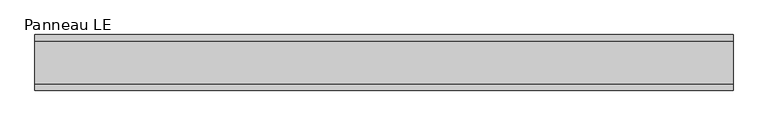
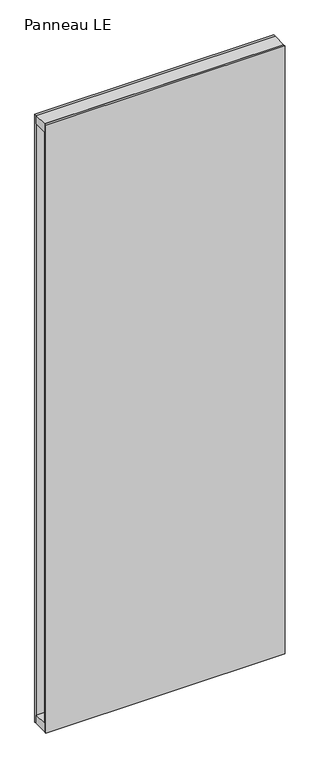
"""IFC4 building model written with IfcOpenShell, lengths in millimetres: plate geometry, Panneau LE."""

from ifc_helpers import new_model, si_unit, frame, origin, origin_with_axes, place, context, project, spatial, polyline, outline, extrude, source, transform, mapped, element, save


def panneau_le_6bf1cd04(model_context):
    return source(origin(), model_context, "Body", "SweptSolid", [
        extrude(outline(polyline([(546.0000001, -33.0), (-546.0000001, -33.0), (-546.0000001, 33.0), (546.0000001, 33.0), (546.0000001, -33.0)])), frame((0.0, 0.0, 2893.0), z_axis=(0.0, 0.0, 1.0), x_axis=(1.0, 0.0, 0.0)), (0.0, 0.0, 1.0), 40.0),
        extrude(outline(polyline([(546.0000001, -33.0), (-546.0000001, -33.0), (-546.0000001, 33.0), (546.0000001, 33.0), (546.0000001, -33.0)])), origin_with_axes(), (0.0, 0.0, 1.0), 40.0),
        extrude(outline(polyline([(546.0000001, 33.0), (-546.0000001, 33.0), (-546.0000001, 43.8), (546.0000001, 43.8), (546.0000001, 33.0)])), origin_with_axes(), (0.0, 0.0, 1.0), 2933.0),
        extrude(outline(polyline([(-546.0000001, -43.8), (-546.0000001, -33.0), (546.0000001, -33.0), (546.0000001, -43.8), (-546.0000001, -43.8)])), origin_with_axes(), (0.0, 0.0, 1.0), 2933.0),
    ])


if __name__ == "__main__":
    model = new_model("IFC4")
    model_context = context("Model", 3, world=origin())
    ifc_project = project(units=[si_unit("LENGTHUNIT", "METRE", prefix="MILLI")], contexts=[model_context])
    site = spatial("IfcSite", under=ifc_project)
    building = spatial("IfcBuilding", under=site)
    placement = place(None, origin())
    panneau_le_shape = panneau_le_6bf1cd04(model_context)
    element("IfcPlate", 1, ObjectType="Panneau LE", at=placement, inside=building, context=model_context, shape_type="MappedRepresentation", body=[
        mapped(panneau_le_shape, transform((0.0, 0.0, 0.0), x_axis=(1.0, 0.0, 0.0), y_axis=(0.0, 1.0, 0.0), z_axis=(0.0, 0.0, 1.0))),
    ])
    save(model, "model.ifc")
